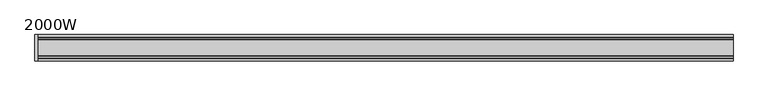
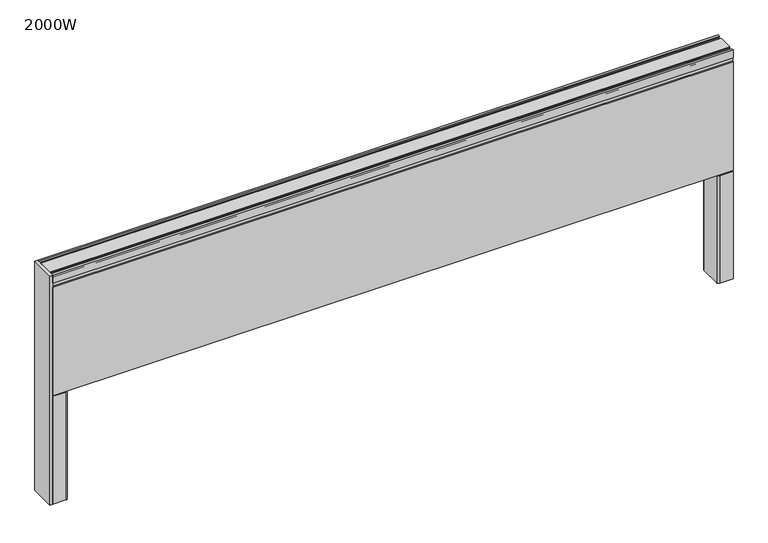
"""IFC4 building model written with IfcOpenShell, lengths in millimetres: furniture geometry, 2000W."""

from ifc_helpers import new_model, si_unit, point, frame, frame_2d, origin, origin_with_axes, place, context, project, spatial, polyline, circle_curve, trimmed, segment, composite_curve, outline, extrude, source, transform, mapped, element, save


def furniture_2000w_90797c3c(model_context):
    return source(origin(), model_context, "Body", "SweptSolid", [
        extrude(outline(polyline([(-8.0, -38.1), (-8.0, 38.1), (0.0, 38.1), (0.0, -38.1), (-8.0, -38.1)])), frame((0.0, 0.0, 8.0), z_axis=(0.0, 0.0, 1.0), x_axis=(1.0, 0.0, 0.0)), (0.0, 0.0, 1.0), 712.0),
        extrude(outline(composite_curve([segment(trimmed(circle_curve(frame_2d((1977.5, 0.0)), 15.0), [point((1962.5, 0.0))], [point((1992.5, 0.0))], False, "CARTESIAN"), True, "CONTINUOUS"), segment(trimmed(circle_curve(frame_2d((1977.5, 0.0)), 15.0), [point((1992.5, 0.0))], [point((1962.5, 0.0))], False, "CARTESIAN"), True, "CONTINUOUS")], self_intersect=False)), origin_with_axes(), (0.0, 0.0, 1.0), 8.0002594),
        extrude(outline(composite_curve([segment(trimmed(circle_curve(frame_2d((22.5, 0.0)), 15.0), [point((7.5, 0.0))], [point((37.5, 0.0))], False, "CARTESIAN"), True, "CONTINUOUS"), segment(trimmed(circle_curve(frame_2d((22.5, 0.0)), 15.0), [point((37.5, 0.0))], [point((7.5, 0.0))], False, "CARTESIAN"), True, "CONTINUOUS")], self_intersect=False)), origin_with_axes(), (0.0, 0.0, 1.0), 8.0002594),
        extrude(outline(composite_curve([segment(trimmed(circle_curve(frame_2d((39.0, 32.1)), 6.0), [point((39.0, 38.1))], [point((45.0, 32.1))], False, "CARTESIAN"), True, "CONTINUOUS"), segment(polyline([(45.0, 32.1), (45.0, -32.1)]), True, "CONTINUOUS"), segment(trimmed(circle_curve(frame_2d((39.0, -32.1)), 6.0), [point((45.0, -32.1))], [point((39.0, -38.1))], False, "CARTESIAN"), True, "CONTINUOUS"), segment(polyline([(39.0, -38.1), (0.0, -38.1), (0.0, 38.1), (39.0, 38.1)]), True, "CONTINUOUS")], self_intersect=False)), frame((0.0, 0.0, 8.0002594), z_axis=(0.0, 0.0, 1.0), x_axis=(1.0, 0.0, 0.0)), (0.0, 0.0, 1.0), 334.9996758),
        extrude(outline(composite_curve([segment(polyline([(1961.0, 38.1), (2000.0, 38.1), (2000.0, -38.1), (1961.0, -38.1)]), True, "CONTINUOUS"), segment(trimmed(circle_curve(frame_2d((1961.0, -32.1)), 6.0), [point((1961.0, -38.1))], [point((1955.0, -32.1))], False, "CARTESIAN"), True, "CONTINUOUS"), segment(polyline([(1955.0, -32.1), (1955.0, 32.1)]), True, "CONTINUOUS"), segment(trimmed(circle_curve(frame_2d((1961.0, 32.1)), 6.0), [point((1955.0, 32.1))], [point((1961.0, 38.1))], False, "CARTESIAN"), True, "CONTINUOUS")], self_intersect=False)), frame((0.0, 0.0, 8.0002594), z_axis=(0.0, 0.0, 1.0), x_axis=(1.0, 0.0, 0.0)), (0.0, 0.0, 1.0), 334.9996758),
        extrude(outline(polyline([(2000.0, 38.1), (2000.0, 28.1), (0.0, 28.1), (0.0, 38.1), (2000.0, 38.1)])), frame((0.0, 0.0, 345.0), z_axis=(0.0, 0.0, 1.0), x_axis=(1.0, 0.0, 0.0)), (0.0, 0.0, 1.0), 337.5),
        extrude(outline(polyline([(2000.0, -28.1), (2000.0, -38.1), (0.0, -38.1), (0.0, -28.1), (2000.0, -28.1)])), frame((0.0, 0.0, 345.0), z_axis=(0.0, 0.0, 1.0), x_axis=(1.0, 0.0, 0.0)), (0.0, 0.0, 1.0), 337.5),
        extrude(outline(polyline([(31.7499023, 716.2360382), (31.7499023, 720.0000763), (38.1, 720.0000763), (38.1, 695.0), (35.6, 695.0), (35.6, 684.5), (25.0, 684.5), (25.0, 360.0), (-25.0, 360.0), (-25.0, 684.5), (-35.6, 684.5), (-35.6, 695.0), (-38.1, 695.0), (-38.1, 720.0000763), (-31.7499023, 720.0000763), (-31.7499023, 716.2360382), (-35.6, 716.2360382), (-35.6, 712.4537311), (-30.1623779, 709.3140768), (-30.1623779, 707.6000214), (-23.8122803, 707.6000214), (-23.8122803, 709.3141152), (-18.4149414, 712.4303228), (-18.4149414, 716.2362035), (-22.2247559, 716.2360132), (-22.2247559, 720.0000763), (22.2247559, 720.0000763), (22.2247559, 716.2360132), (18.4149414, 716.2362035), (18.4149414, 712.4303228), (23.8122803, 709.3141152), (23.8122803, 707.6000214), (30.1623779, 707.6000214), (30.1623779, 709.3140768), (35.6, 712.4537311), (35.6, 716.2360382), (31.7499023, 716.2360382)])), frame((0.0, 0.0, 0.0), z_axis=(1.0, 0.0, 0.0), x_axis=(0.0, 1.0, 0.0)), (0.0, 0.0, 1.0), 2000.0),
    ])


if __name__ == "__main__":
    model = new_model("IFC4")
    model_context = context("Model", 3, world=origin())
    ifc_project = project(units=[si_unit("LENGTHUNIT", "METRE", prefix="MILLI")], contexts=[model_context])
    site = spatial("IfcSite", under=ifc_project)
    building = spatial("IfcBuilding", under=site)
    placement = place(None, origin())
    furniture_2000w_shape = furniture_2000w_90797c3c(model_context)
    element("IfcFurniture", 1, ObjectType="2000W", at=placement, inside=building, context=model_context, shape_type="MappedRepresentation", body=[
        mapped(furniture_2000w_shape, transform((0.0, 0.0, 0.0), x_axis=(1.0, 0.0, 0.0), y_axis=(0.0, 1.0, 0.0), z_axis=(0.0, 0.0, 1.0))),
    ])
    save(model, "model.ifc")
